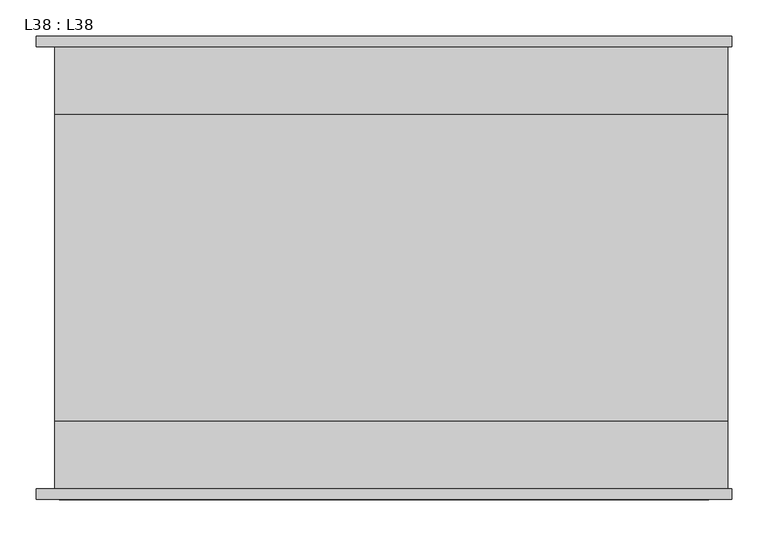
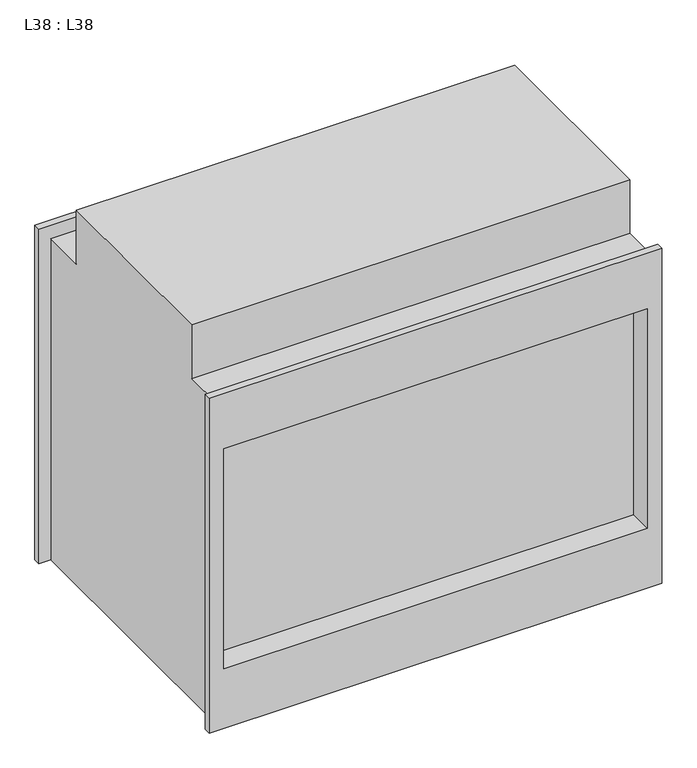
"""IFC4 building model written with IfcOpenShell, lengths in millimetres: proxy geometry, L38 : L38."""

import ifcopenshell
import ifcopenshell.guid

model = None  # the IFC model being written
_history = None  # IfcOwnerHistory: only IFC2X3 demands one
_inside = {}  # id of a spatial element -> (the spatial element, [elements in it])
_under = {}  # id of a project, library or spatial element -> (it, [spatial elements below it])
_declared = {}  # id of a project -> (the project, [libraries it declares])
_typed = {}  # id of a type object -> (the type object, [elements of that type])
_made_of = {}  # id of a material, layer set ... -> (it, [elements and type objects made of it])


def new_model(schema):
    """Start an empty IFC model of exactly this schema.

    Asked for "IFC4X3", IfcOpenShell would pick the latest addendum, in which some entities
    have other attributes; the version numbers below select the first issue.
    IFC2X3 requires an IfcOwnerHistory on every rooted entity: one is made here for all.
    """
    global model, _history
    if schema == "IFC4X3":
        model = ifcopenshell.file(schema_version=(4, 3, 0, 0))
    else:
        model = ifcopenshell.file(schema=schema)
    _inside.clear()
    _under.clear()
    _declared.clear()
    _typed.clear()
    _made_of.clear()
    _history = None
    if model.schema == "IFC2X3":
        org = make("IfcOrganization", Name="unknown")
        user = make(
            "IfcPersonAndOrganization",
            ThePerson=make("IfcPerson", FamilyName="unknown"),
            TheOrganization=org,
        )
        app = make(
            "IfcApplication",
            ApplicationDeveloper=org,
            Version="unknown",
            ApplicationFullName="unknown",
            ApplicationIdentifier="unknown",
        )
        _history = make(
            "IfcOwnerHistory",
            OwningUser=user,
            OwningApplication=app,
            ChangeAction="ADDED",
            CreationDate=0,
        )
    return model


def make(cls, **values):
    """One entity of the class cls with the attributes given. An attribute that is None is left unset."""
    return model.create_entity(
        cls, **{name: value for name, value in values.items() if value is not None}
    )


def rooted(cls, **values):
    """An entity with a GlobalId (a new one), such as an element, a storey or a relation."""
    return make(cls, GlobalId=ifcopenshell.guid.new(), OwnerHistory=_history, **values)


def si_unit(unit_type, name, prefix=None):
    """IfcSIUnit, for example si_unit("LENGTHUNIT", "METRE", prefix="MILLI")."""
    return make("IfcSIUnit", UnitType=unit_type, Prefix=prefix, Name=name)


def assignment(units):
    """IfcUnitAssignment: the units of a project."""
    return None if units is None else make("IfcUnitAssignment", Units=units)


def point(xyz):
    """IfcCartesianPoint."""
    return None if xyz is None else make("IfcCartesianPoint", Coordinates=xyz)


def direction(xyz):
    """IfcDirection."""
    return None if xyz is None else make("IfcDirection", DirectionRatios=xyz)


def frame(location, z_axis=None, x_axis=None):
    """IfcAxis2Placement3D, a coordinate frame: its origin and axes. An axis left out is left unset."""
    return make(
        "IfcAxis2Placement3D",
        Location=point(location),
        Axis=direction(z_axis),
        RefDirection=direction(x_axis),
    )


def origin():
    """The frame at (0, 0, 0) with its axes left unset."""
    return frame((0.0, 0.0, 0.0))


def place(relative_to, where):
    """IfcLocalPlacement: puts the frame where relative to a parent placement (None: the world)."""
    return make(
        "IfcLocalPlacement", PlacementRelTo=relative_to, RelativePlacement=where
    )


def context(
    kind, dimensions, precision=None, world=None, true_north=None, identifier=None
):
    """IfcGeometricRepresentationContext, for example the 3D "Model" context."""
    return make(
        "IfcGeometricRepresentationContext",
        ContextIdentifier=identifier,
        ContextType=kind,
        CoordinateSpaceDimension=dimensions,
        Precision=precision,
        WorldCoordinateSystem=world,
        TrueNorth=true_north,
    )


def project(units=None, contexts=None):
    """IfcProject with its units and contexts."""
    return rooted(
        "IfcProject",
        Name="project",
        RepresentationContexts=contexts,
        UnitsInContext=assignment(units),
    )


def spatial(cls, under=None, at=None, **own):
    """A site, building, storey or space (cls), placed at a placement, below another one or the project."""
    s = rooted(cls, ObjectPlacement=at, **own)
    if under is not None:
        _under.setdefault(under.id(), (under, []))[1].append(s)
    return s


def faces_of(points, faces, orient=None, outer=None):
    """IfcFace entities. A face is a list of loops; a loop is a list of indices into points, from 0.

    orient and outer hold one flag for each loop. By default every Orientation is true, the
    first loop of a face is its IfcFaceOuterBound and the others are IfcFaceBound.
    """
    made = []
    for i, loops in enumerate(faces):
        bounds = []
        for j, loop in enumerate(loops):
            is_outer = j == 0 if outer is None else outer[i][j]
            bounds.append(
                make(
                    "IfcFaceOuterBound" if is_outer else "IfcFaceBound",
                    Bound=make("IfcPolyLoop", Polygon=[points[k] for k in loop]),
                    Orientation=True if orient is None else orient[i][j],
                )
            )
        made.append(make("IfcFace", Bounds=bounds))
    return made


def faceted_brep(points, faces, orient=None, outer=None, voids=None):
    """IfcFacetedBrep: a solid bounded by flat faces; with voids (closed shells), ...WithVoids."""
    shared = [point(p) for p in points]
    hull = make("IfcClosedShell", CfsFaces=faces_of(shared, faces, orient, outer))
    if voids is None:
        return make("IfcFacetedBrep", Outer=hull)
    return make(
        "IfcFacetedBrepWithVoids",
        Outer=hull,
        Voids=[
            make(cls, CfsFaces=faces_of(shared, fs, o, b)) for cls, fs, o, b in voids
        ],
    )


def shape(context_of_items, identifier, shape_type, items):
    """IfcShapeRepresentation: the items that make up one representation, for example the "Body"."""
    return make(
        "IfcShapeRepresentation",
        ContextOfItems=context_of_items,
        RepresentationIdentifier=identifier,
        RepresentationType=shape_type,
        Items=items,
    )


def source(mapping_origin, context_of_items, identifier, shape_type, items):
    """IfcRepresentationMap: a shape defined once, which mapped items show again and again."""
    return make(
        "IfcRepresentationMap",
        MappingOrigin=mapping_origin,
        MappedRepresentation=shape(context_of_items, identifier, shape_type, items),
    )


def transform(
    local_origin,
    x_axis=None,
    y_axis=None,
    z_axis=None,
    scale=None,
    scale2=None,
    scale3=None,
    uniform=True,
):
    """IfcCartesianTransformationOperator3D, or its non-uniform kind. x_axis, y_axis, z_axis: its Axis1, 2, 3."""
    if uniform:
        return make(
            "IfcCartesianTransformationOperator3D",
            Axis1=direction(x_axis),
            Axis2=direction(y_axis),
            LocalOrigin=point(local_origin),
            Scale=scale,
            Axis3=direction(z_axis),
        )
    return make(
        "IfcCartesianTransformationOperator3DnonUniform",
        Axis1=direction(x_axis),
        Axis2=direction(y_axis),
        LocalOrigin=point(local_origin),
        Scale=scale,
        Axis3=direction(z_axis),
        Scale2=scale2,
        Scale3=scale3,
    )


def mapped(mapping_source, mapping_target):
    """IfcMappedItem: shows the shape of a source again, moved by a transform."""
    return make(
        "IfcMappedItem", MappingSource=mapping_source, MappingTarget=mapping_target
    )


def made_of(thing, what):
    """Note that an element or type object is made of a material, layer set ...; save() writes the relation."""
    if what is not None:
        _made_of.setdefault(what.id(), (what, []))[1].append(thing)
    return thing


def element(
    cls,
    number,
    at=None,
    inside=None,
    cuts=None,
    type_object=None,
    material=None,
    context=None,
    identifier="Body",
    shape_type=None,
    held_by="IfcProductDefinitionShape",
    body=None,
    shapes=None,
    **own,
):
    """One element of the class cls, such as IfcWall. Its Tag is "e" and its number.

    at: its placement. inside: the storey or other place that contains it. cuts: it is an
    opening in that element (IfcRelVoidsElement). A single representation is given by context,
    identifier, shape_type and body (its items); several are given by shapes. held_by: the class
    of the entity that holds the representations. save() writes the other relations.
    """
    e = rooted(cls, Tag="e%d" % number, ObjectPlacement=at, **own)
    if body is not None:
        shapes = [shape(context, identifier, shape_type, body)]
    if shapes is not None:
        e.Representation = make(held_by, Representations=shapes)
    if inside is not None:
        _inside.setdefault(inside.id(), (inside, []))[1].append(e)
    if cuts is not None:
        rooted(
            "IfcRelVoidsElement", RelatingBuildingElement=cuts, RelatedOpeningElement=e
        )
    if type_object is not None:
        _typed.setdefault(type_object.id(), (type_object, []))[1].append(e)
    return made_of(e, material)


def aggregate(whole, parts):
    """IfcRelAggregates: a whole, such as a stair, and the parts it consists of."""
    return rooted("IfcRelAggregates", RelatingObject=whole, RelatedObjects=parts)


def save(model, path):
    """Write the relations noted so far, then the file.

    IfcRelAggregates (storeys below a building ...), IfcRelContainedInSpatialStructure (elements
    in a storey), IfcRelDefinesByType, IfcRelAssociatesMaterial and IfcRelDeclares: one each for
    every whole, place, type object, material and project.
    """
    for whole, parts in _under.values():
        aggregate(whole, parts)
    for where, things in _inside.values():
        rooted(
            "IfcRelContainedInSpatialStructure",
            RelatedElements=things,
            RelatingStructure=where,
        )
    for kind, things in _typed.values():
        rooted("IfcRelDefinesByType", RelatedObjects=things, RelatingType=kind)
    for what, things in _made_of.values():
        rooted("IfcRelAssociatesMaterial", RelatedObjects=things, RelatingMaterial=what)
    for by, libraries in _declared.values():
        rooted("IfcRelDeclares", RelatingContext=by, RelatedDefinitions=libraries)
    model.write(path)


def l38_l38_a4f16597(model_context):
    return source(origin(), model_context, "Body", "Brep", [
        faceted_brep([(479.425, -304.8, 749.3), (-478.663, -304.8, 749.3), (-478.663, -319.4036293, 749.3), (479.425, -319.4036293, 749.3), (479.425, -304.8, 0.0), (479.425, -319.4036293, 0.0), (-478.663, -319.4036293, 0.0), (-478.663, -304.8, 0.0), (-453.1487, -304.8, 0.0), (-453.1487, 304.8, 0.0), (-478.663, 304.8, 0.0), (-478.663, 319.4036293, 0.0), (479.425, 319.4036293, 0.0), (479.425, 304.8, 0.0), (473.9894, 304.8, 0.0), (473.9894, -304.8, 0.0), (473.9894, -304.8, 718.7692), (-453.1487, -304.8, 718.7692), (-447.294, -319.4036293, 625.475), (448.056, -319.4036293, 625.475), (448.056, -319.4036293, 133.35), (-447.294, -319.4036293, 133.35), (473.9894, -211.1375, 718.7692), (-453.1487, -211.1375, 718.7692), (-453.1487, 304.8, 718.7692), (-453.1487, 211.1375, 718.7692), (473.9894, 211.1375, 718.7692), (473.9894, 304.8, 718.7692), (-453.1487, -211.1375, 839.3682349), (-453.1487, 211.1375, 839.3682349), (473.9894, 211.1375, 839.3682349), (473.9894, -211.1375, 839.3682349), (479.425, 304.8, 749.3), (479.425, 319.4036293, 749.3), (-478.663, 319.4036293, 749.3), (-478.663, 304.8, 749.3), (448.056, 319.4036293, 625.475), (-447.294, 319.4036293, 625.475), (-447.294, 319.4036293, 133.35), (448.056, 319.4036293, 133.35), (448.056, -268.5682707, 625.475), (-447.294, -268.5682707, 625.475), (-447.294, -268.5682707, 133.35), (448.056, -268.5682707, 133.35), (448.056, 268.5682707, 625.475), (448.056, 268.5682707, 133.35), (-447.294, 268.5682707, 133.35), (-447.294, 268.5682707, 625.475)], [[[0, 1, 2, 3]], [[4, 5, 6, 7, 8, 9, 10, 11, 12, 13, 14, 15]], [[1, 0, 4, 15, 16, 17, 8, 7]], [[2, 1, 7, 6]], [[3, 2, 6, 5], [18, 19, 20, 21]], [[0, 3, 5, 4]], [[17, 16, 22, 23]], [[24, 25, 26, 27]], [[9, 8, 17, 23, 28, 29, 25, 24]], [[15, 14, 27, 26, 30, 31, 22, 16]], [[30, 29, 28, 31]], [[29, 30, 26, 25]], [[31, 28, 23, 22]], [[32, 33, 34, 35]], [[32, 35, 10, 9, 24, 27, 14, 13]], [[35, 34, 11, 10]], [[34, 33, 12, 11], [36, 37, 38, 39]], [[33, 32, 13, 12]], [[40, 41, 42, 43]], [[41, 40, 19, 18]], [[42, 41, 18, 21]], [[43, 42, 21, 20]], [[40, 43, 20, 19]], [[44, 45, 46, 47]], [[44, 47, 37, 36]], [[47, 46, 38, 37]], [[46, 45, 39, 38]], [[45, 44, 36, 39]]]),
    ])


if __name__ == "__main__":
    model = new_model("IFC4")
    model_context = context("Model", 3, world=origin())
    ifc_project = project(units=[si_unit("LENGTHUNIT", "METRE", prefix="MILLI")], contexts=[model_context])
    site = spatial("IfcSite", under=ifc_project)
    building = spatial("IfcBuilding", under=site)
    placement = place(None, origin())
    l38_l38_shape = l38_l38_a4f16597(model_context)
    element("IfcBuildingElementProxy", 1, Name="L38 : L38", ObjectType="L38 : L38", at=placement, inside=building, context=model_context, shape_type="MappedRepresentation", body=[
        mapped(l38_l38_shape, transform((0.0, 0.0, 0.0), x_axis=(1.0, 0.0, 0.0), y_axis=(0.0, 1.0, 0.0), z_axis=(0.0, 0.0, 1.0))),
    ])
    save(model, "model.ifc")
